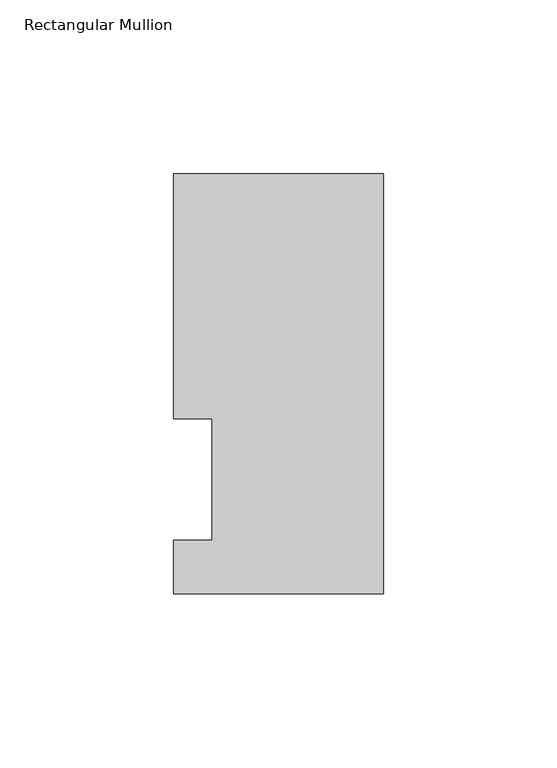
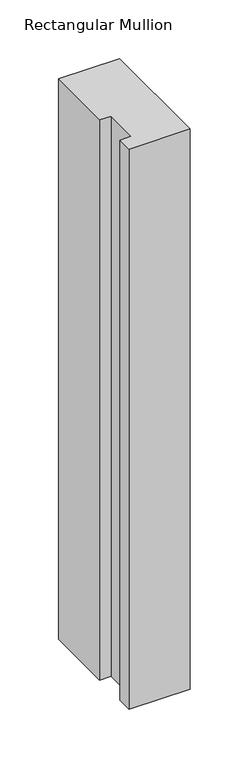
"""IFC4 building model written with IfcOpenShell, lengths in millimetres: member geometry, Rectangular Mullion."""

from ifc_helpers import new_model, si_unit, frame, origin, place, context, project, spatial, polyline, outline, extrude, source, transform, mapped, element, save


def rectangular_mullion_369f63b3(model_context):
    return source(origin(), model_context, "Body", "SweptSolid", [
        extrude(outline(polyline([(0.0, -3.3164122), (-60.3251015, -3.3164122), (-60.3251015, 12.1267878), (-49.2253015, 12.1267878), (-49.2253015, 47.0517878), (-60.3251015, 47.0517878), (-60.3251015, 117.4859878), (0.0, 117.4859878), (0.0, -3.3164122)])), frame((0.0, 0.0, -584.2), z_axis=(0.0, 0.0, 1.0), x_axis=(1.0, 0.0, 0.0)), (0.0, 0.0, 1.0), 584.2),
    ])


if __name__ == "__main__":
    model = new_model("IFC4")
    model_context = context("Model", 3, world=origin())
    ifc_project = project(units=[si_unit("LENGTHUNIT", "METRE", prefix="MILLI")], contexts=[model_context])
    site = spatial("IfcSite", under=ifc_project)
    building = spatial("IfcBuilding", under=site)
    placement = place(None, origin())
    rectangular_mullion_shape = rectangular_mullion_369f63b3(model_context)
    element("IfcMember", 1, ObjectType="Rectangular Mullion", at=placement, inside=building, context=model_context, shape_type="MappedRepresentation", body=[
        mapped(rectangular_mullion_shape, transform((0.0, 0.0, 0.0), x_axis=(1.0, 0.0, 0.0), y_axis=(0.0, 1.0, 0.0), z_axis=(0.0, 0.0, 1.0))),
    ])
    save(model, "model.ifc")
